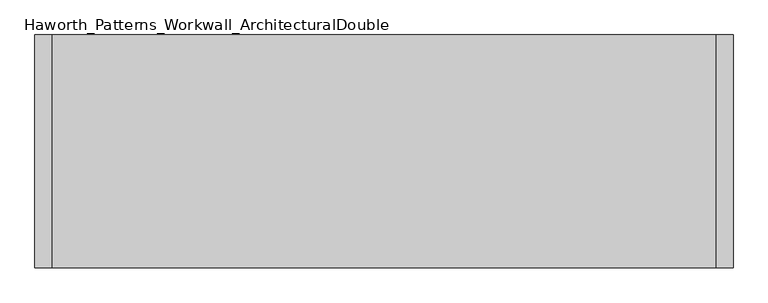
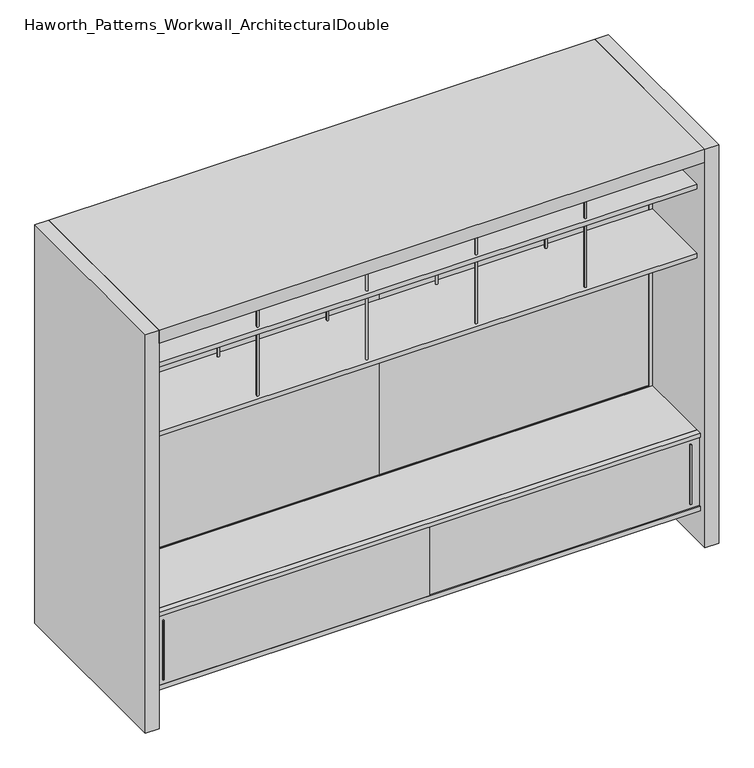
"""IFC4 building model written with IfcOpenShell, lengths in millimetres: furniture geometry, Haworth_Patterns_Workwall_ArchitecturalDouble."""

from ifc_helpers import new_model, si_unit, point, frame, frame_2d, origin, origin_with_axes, place, context, project, spatial, polyline, circle_curve, trimmed, segment, composite_curve, outline, extrude, source, transform, mapped, element, save


def haworth_patterns_workwall_architecturaldouble_7638f100(model_context):
    return source(origin(), model_context, "Body", "SweptSolid", [
        extrude(outline(polyline([(-609.6, 333.375), (-2133.6, 333.375), (-2133.6, 352.425), (-609.6, 352.425), (-609.6, 333.375)])), frame((0.0, 0.0, 635.0), z_axis=(0.0, 0.0, 1.0), x_axis=(1.0, 0.0, 0.0)), (0.0, 0.0, 1.0), 1638.3),
        extrude(outline(polyline([(914.4, 333.375), (-609.6, 333.375), (-609.6, 352.425), (914.4, 352.425), (914.4, 333.375)])), frame((0.0, 0.0, 635.0), z_axis=(0.0, 0.0, 1.0), x_axis=(1.0, 0.0, 0.0)), (0.0, 0.0, 1.0), 1638.3),
        extrude(outline(composite_curve([segment(trimmed(circle_curve(frame_2d((-304.8, -76.2)), 6.35), [point((-311.15, -76.2))], [point((-298.45, -76.2))], False, "CARTESIAN"), True, "CONTINUOUS"), segment(trimmed(circle_curve(frame_2d((-304.8, -76.2)), 6.35), [point((-298.45, -76.2))], [point((-311.15, -76.2))], False, "CARTESIAN"), True, "CONTINUOUS")], self_intersect=False)), frame((0.0, 0.0, 1689.1), z_axis=(0.0, 0.0, 1.0), x_axis=(1.0, 0.0, 0.0)), (0.0, 0.0, 1.0), 381.0),
        extrude(outline(composite_curve([segment(trimmed(circle_curve(frame_2d((-304.8, 304.8)), 6.35), [point((-311.15, 304.8))], [point((-298.45, 304.8))], False, "CARTESIAN"), True, "CONTINUOUS"), segment(trimmed(circle_curve(frame_2d((-304.8, 304.8)), 6.35), [point((-298.45, 304.8))], [point((-311.15, 304.8))], False, "CARTESIAN"), True, "CONTINUOUS")], self_intersect=False)), frame((0.0, 0.0, 1689.1), z_axis=(0.0, 0.0, 1.0), x_axis=(1.0, 0.0, 0.0)), (0.0, 0.0, 1.0), 381.0),
        extrude(outline(composite_curve([segment(trimmed(circle_curve(frame_2d((-914.4, -76.2)), 6.35), [point((-920.75, -76.2))], [point((-908.05, -76.2))], False, "CARTESIAN"), True, "CONTINUOUS"), segment(trimmed(circle_curve(frame_2d((-914.4, -76.2)), 6.35), [point((-908.05, -76.2))], [point((-920.75, -76.2))], False, "CARTESIAN"), True, "CONTINUOUS")], self_intersect=False)), frame((0.0, 0.0, 1689.1), z_axis=(0.0, 0.0, 1.0), x_axis=(1.0, 0.0, 0.0)), (0.0, 0.0, 1.0), 381.0),
        extrude(outline(composite_curve([segment(trimmed(circle_curve(frame_2d((-914.4, 304.8)), 6.35), [point((-920.75, 304.8))], [point((-908.05, 304.8))], False, "CARTESIAN"), True, "CONTINUOUS"), segment(trimmed(circle_curve(frame_2d((-914.4, 304.8)), 6.35), [point((-908.05, 304.8))], [point((-920.75, 304.8))], False, "CARTESIAN"), True, "CONTINUOUS")], self_intersect=False)), frame((0.0, 0.0, 1689.1), z_axis=(0.0, 0.0, 1.0), x_axis=(1.0, 0.0, 0.0)), (0.0, 0.0, 1.0), 381.0),
        extrude(outline(composite_curve([segment(trimmed(circle_curve(frame_2d((304.8, -76.2)), 6.35), [point((298.45, -76.2))], [point((311.15, -76.2))], False, "CARTESIAN"), True, "CONTINUOUS"), segment(trimmed(circle_curve(frame_2d((304.8, -76.2)), 6.35), [point((311.15, -76.2))], [point((298.45, -76.2))], False, "CARTESIAN"), True, "CONTINUOUS")], self_intersect=False)), frame((0.0, 0.0, 1689.1), z_axis=(0.0, 0.0, 1.0), x_axis=(1.0, 0.0, 0.0)), (0.0, 0.0, 1.0), 381.0),
        extrude(outline(composite_curve([segment(trimmed(circle_curve(frame_2d((304.8, 304.8)), 6.35), [point((298.45, 304.8))], [point((311.15, 304.8))], False, "CARTESIAN"), True, "CONTINUOUS"), segment(trimmed(circle_curve(frame_2d((304.8, 304.8)), 6.35), [point((311.15, 304.8))], [point((298.45, 304.8))], False, "CARTESIAN"), True, "CONTINUOUS")], self_intersect=False)), frame((0.0, 0.0, 1689.1), z_axis=(0.0, 0.0, 1.0), x_axis=(1.0, 0.0, 0.0)), (0.0, 0.0, 1.0), 381.0),
        extrude(outline(composite_curve([segment(trimmed(circle_curve(frame_2d((-1524.0, -76.2)), 6.35), [point((-1530.35, -76.2))], [point((-1517.65, -76.2))], False, "CARTESIAN"), True, "CONTINUOUS"), segment(trimmed(circle_curve(frame_2d((-1524.0, -76.2)), 6.35), [point((-1517.65, -76.2))], [point((-1530.35, -76.2))], False, "CARTESIAN"), True, "CONTINUOUS")], self_intersect=False)), frame((0.0, 0.0, 1689.1), z_axis=(0.0, 0.0, 1.0), x_axis=(1.0, 0.0, 0.0)), (0.0, 0.0, 1.0), 381.0),
        extrude(outline(composite_curve([segment(trimmed(circle_curve(frame_2d((-1524.0, 304.8)), 6.35), [point((-1530.35, 304.8))], [point((-1517.65, 304.8))], False, "CARTESIAN"), True, "CONTINUOUS"), segment(trimmed(circle_curve(frame_2d((-1524.0, 304.8)), 6.35), [point((-1517.65, 304.8))], [point((-1530.35, 304.8))], False, "CARTESIAN"), True, "CONTINUOUS")], self_intersect=False)), frame((0.0, 0.0, 1689.1), z_axis=(0.0, 0.0, 1.0), x_axis=(1.0, 0.0, 0.0)), (0.0, 0.0, 1.0), 381.0),
        extrude(outline(polyline([(914.4, 330.2), (914.4, -101.6), (-2133.6, -101.6), (-2133.6, 330.2), (914.4, 330.2)])), frame((0.0, 0.0, 1663.7), z_axis=(0.0, 0.0, 1.0), x_axis=(1.0, 0.0, 0.0)), (0.0, 0.0, 1.0), 25.4),
        extrude(outline(polyline([(866.7750004, -130.1749879), (860.4249996, -130.1749879), (858.8375011, -117.475), (868.3624989, -117.475), (866.7750004, -130.1749879)])), frame((0.0, 0.0, 242.8875), z_axis=(0.0, 0.0, 1.0), x_axis=(1.0, 0.0, 0.0)), (0.0, 0.0, 1.0), 352.425),
        extrude(outline(polyline([(-2079.6249996, -136.5249879), (-2085.9750004, -136.5249879), (-2087.5624989, -123.825), (-2078.0375011, -123.825), (-2079.6249996, -136.5249879)])), frame((0.0, 0.0, 242.8875), z_axis=(0.0, 0.0, 1.0), x_axis=(1.0, 0.0, 0.0)), (0.0, 0.0, 1.0), 352.425),
        extrude(outline(polyline([(914.4, -101.6), (914.4, -133.35), (-2133.6, -133.35), (-2133.6, -101.6), (914.4, -101.6)])), frame((0.0, 0.0, 190.5), z_axis=(0.0, 0.0, 1.0), x_axis=(1.0, 0.0, 0.0)), (0.0, 0.0, 1.0), 25.4),
        extrude(outline(polyline([(914.4, -101.6), (914.4, -133.35), (-2133.6, -133.35), (-2133.6, -101.6), (914.4, -101.6)])), frame((0.0, 0.0, 622.3), z_axis=(0.0, 0.0, 1.0), x_axis=(1.0, 0.0, 0.0)), (0.0, 0.0, 1.0), 25.4),
        extrude(outline(polyline([(-2133.6, -123.825), (-596.9, -123.825), (-596.9, -130.175), (-2133.6, -130.175), (-2133.6, -123.825)])), frame((0.0, 0.0, 215.9), z_axis=(0.0, 0.0, 1.0), x_axis=(1.0, 0.0, 0.0)), (0.0, 0.0, 1.0), 406.4),
        extrude(outline(polyline([(-622.3, -117.475), (914.4, -117.475), (914.4, -123.825), (-622.3, -123.825), (-622.3, -117.475)])), frame((0.0, 0.0, 215.9), z_axis=(0.0, 0.0, 1.0), x_axis=(1.0, 0.0, 0.0)), (0.0, 0.0, 1.0), 406.4),
        extrude(outline(polyline([(-295.275, -101.6), (-314.325, -101.6), (-314.325, 330.2), (-295.275, 330.2), (-295.275, -101.6)])), frame((0.0, 0.0, 215.9), z_axis=(0.0, 0.0, 1.0), x_axis=(1.0, 0.0, 0.0)), (0.0, 0.0, 1.0), 406.4),
        extrude(outline(polyline([(-904.875, -101.6), (-923.925, -101.6), (-923.925, 330.2), (-904.875, 330.2), (-904.875, -101.6)])), frame((0.0, 0.0, 215.9), z_axis=(0.0, 0.0, 1.0), x_axis=(1.0, 0.0, 0.0)), (0.0, 0.0, 1.0), 406.4),
        extrude(outline(polyline([(314.325, -101.6), (295.275, -101.6), (295.275, 330.2), (314.325, 330.2), (314.325, -101.6)])), frame((0.0, 0.0, 215.9), z_axis=(0.0, 0.0, 1.0), x_axis=(1.0, 0.0, 0.0)), (0.0, 0.0, 1.0), 406.4),
        extrude(outline(polyline([(-1514.475, -101.6), (-1533.525, -101.6), (-1533.525, 330.2), (-1514.475, 330.2), (-1514.475, -101.6)])), frame((0.0, 0.0, 215.9), z_axis=(0.0, 0.0, 1.0), x_axis=(1.0, 0.0, 0.0)), (0.0, 0.0, 1.0), 406.4),
        extrude(outline(polyline([(914.4, 330.2), (914.4, -101.6), (-2133.6, -101.6), (-2133.6, 330.2), (914.4, 330.2)])), frame((0.0, 0.0, 622.3), z_axis=(0.0, 0.0, 1.0), x_axis=(1.0, 0.0, 0.0)), (0.0, 0.0, 1.0), 25.4),
        extrude(outline(polyline([(-101.6, 215.9), (330.2, 215.9), (330.2, 190.5), (123.825, 190.5), (123.825, 0.0), (104.775, 0.0), (104.775, 190.5), (-101.6, 190.5), (-101.6, 215.9)])), frame((-2133.6, 0.0, 0.0), z_axis=(1.0, 0.0, 0.0), x_axis=(0.0, 1.0, 0.0)), (0.0, 0.0, 1.0), 3048.0),
        extrude(outline(composite_curve([segment(trimmed(circle_curve(frame_2d((-304.8, -76.2)), 6.35), [point((-311.15, -76.2))], [point((-298.45, -76.2))], False, "CARTESIAN"), True, "CONTINUOUS"), segment(trimmed(circle_curve(frame_2d((-304.8, -76.2)), 6.35), [point((-298.45, -76.2))], [point((-311.15, -76.2))], False, "CARTESIAN"), True, "CONTINUOUS")], self_intersect=False)), frame((0.0, 0.0, 2095.5), z_axis=(0.0, 0.0, 1.0), x_axis=(1.0, 0.0, 0.0)), (0.0, 0.0, 1.0), 177.8),
        extrude(outline(composite_curve([segment(trimmed(circle_curve(frame_2d((-304.8, 304.8)), 6.35), [point((-311.15, 304.8))], [point((-298.45, 304.8))], False, "CARTESIAN"), True, "CONTINUOUS"), segment(trimmed(circle_curve(frame_2d((-304.8, 304.8)), 6.35), [point((-298.45, 304.8))], [point((-311.15, 304.8))], False, "CARTESIAN"), True, "CONTINUOUS")], self_intersect=False)), frame((0.0, 0.0, 2095.5), z_axis=(0.0, 0.0, 1.0), x_axis=(1.0, 0.0, 0.0)), (0.0, 0.0, 1.0), 177.8),
        extrude(outline(composite_curve([segment(trimmed(circle_curve(frame_2d((-914.4, -76.2)), 6.35), [point((-920.75, -76.2))], [point((-908.05, -76.2))], False, "CARTESIAN"), True, "CONTINUOUS"), segment(trimmed(circle_curve(frame_2d((-914.4, -76.2)), 6.35), [point((-908.05, -76.2))], [point((-920.75, -76.2))], False, "CARTESIAN"), True, "CONTINUOUS")], self_intersect=False)), frame((0.0, 0.0, 2095.5), z_axis=(0.0, 0.0, 1.0), x_axis=(1.0, 0.0, 0.0)), (0.0, 0.0, 1.0), 177.8),
        extrude(outline(composite_curve([segment(trimmed(circle_curve(frame_2d((-914.4, 304.8)), 6.35), [point((-920.75, 304.8))], [point((-908.05, 304.8))], False, "CARTESIAN"), True, "CONTINUOUS"), segment(trimmed(circle_curve(frame_2d((-914.4, 304.8)), 6.35), [point((-908.05, 304.8))], [point((-920.75, 304.8))], False, "CARTESIAN"), True, "CONTINUOUS")], self_intersect=False)), frame((0.0, 0.0, 2095.5), z_axis=(0.0, 0.0, 1.0), x_axis=(1.0, 0.0, 0.0)), (0.0, 0.0, 1.0), 177.8),
        extrude(outline(composite_curve([segment(trimmed(circle_curve(frame_2d((304.8, -76.2)), 6.35), [point((298.45, -76.2))], [point((311.15, -76.2))], False, "CARTESIAN"), True, "CONTINUOUS"), segment(trimmed(circle_curve(frame_2d((304.8, -76.2)), 6.35), [point((311.15, -76.2))], [point((298.45, -76.2))], False, "CARTESIAN"), True, "CONTINUOUS")], self_intersect=False)), frame((0.0, 0.0, 2095.5), z_axis=(0.0, 0.0, 1.0), x_axis=(1.0, 0.0, 0.0)), (0.0, 0.0, 1.0), 177.8),
        extrude(outline(composite_curve([segment(trimmed(circle_curve(frame_2d((304.8, 304.8)), 6.35), [point((298.45, 304.8))], [point((311.15, 304.8))], False, "CARTESIAN"), True, "CONTINUOUS"), segment(trimmed(circle_curve(frame_2d((304.8, 304.8)), 6.35), [point((311.15, 304.8))], [point((298.45, 304.8))], False, "CARTESIAN"), True, "CONTINUOUS")], self_intersect=False)), frame((0.0, 0.0, 2095.5), z_axis=(0.0, 0.0, 1.0), x_axis=(1.0, 0.0, 0.0)), (0.0, 0.0, 1.0), 177.8),
        extrude(outline(composite_curve([segment(trimmed(circle_curve(frame_2d((-1524.0, -76.2)), 6.35), [point((-1530.35, -76.2))], [point((-1517.65, -76.2))], False, "CARTESIAN"), True, "CONTINUOUS"), segment(trimmed(circle_curve(frame_2d((-1524.0, -76.2)), 6.35), [point((-1517.65, -76.2))], [point((-1530.35, -76.2))], False, "CARTESIAN"), True, "CONTINUOUS")], self_intersect=False)), frame((0.0, 0.0, 2095.5), z_axis=(0.0, 0.0, 1.0), x_axis=(1.0, 0.0, 0.0)), (0.0, 0.0, 1.0), 177.8),
        extrude(outline(composite_curve([segment(trimmed(circle_curve(frame_2d((-1524.0, 304.8)), 6.35), [point((-1530.35, 304.8))], [point((-1517.65, 304.8))], False, "CARTESIAN"), True, "CONTINUOUS"), segment(trimmed(circle_curve(frame_2d((-1524.0, 304.8)), 6.35), [point((-1517.65, 304.8))], [point((-1530.35, 304.8))], False, "CARTESIAN"), True, "CONTINUOUS")], self_intersect=False)), frame((0.0, 0.0, 2095.5), z_axis=(0.0, 0.0, 1.0), x_axis=(1.0, 0.0, 0.0)), (0.0, 0.0, 1.0), 177.8),
        extrude(outline(polyline([(914.4, 330.2), (914.4, -101.6), (-2133.6, -101.6), (-2133.6, 330.2), (914.4, 330.2)])), frame((0.0, 0.0, 2070.1), z_axis=(0.0, 0.0, 1.0), x_axis=(1.0, 0.0, 0.0)), (0.0, 0.0, 1.0), 25.4),
        extrude(outline(polyline([(-2133.6, 889.0), (-2133.6, -177.8), (-2209.8, -177.8), (-2209.8, 889.0), (-2133.6, 889.0)])), origin_with_axes(), (0.0, 0.0, 1.0), 2349.5),
        extrude(outline(polyline([(990.6, -177.8), (914.4, -177.8), (914.4, 889.0), (990.6, 889.0), (990.6, -177.8)])), origin_with_axes(), (0.0, 0.0, 1.0), 2349.5),
        extrude(outline(polyline([(2273.3, 914.4), (2273.3, -2133.6), (635.0, -2133.6), (635.0, 914.4), (2273.3, 914.4)]), holes=[polyline([(2254.25, 895.35), (654.05, 895.35), (654.05, -2114.55), (2254.25, -2114.55), (2254.25, 895.35)])]), frame((0.0, 330.2, 0.0), z_axis=(0.0, 1.0, 0.0), x_axis=(0.0, 0.0, 1.0)), (0.0, 0.0, 1.0), 25.4),
        extrude(outline(polyline([(895.35, 330.2), (-2114.55, 330.2), (-2114.55, 355.6), (895.35, 355.6), (895.35, 330.2)])), frame((0.0, 0.0, 114.3), z_axis=(0.0, 0.0, 1.0), x_axis=(1.0, 0.0, 0.0)), (0.0, 0.0, 1.0), 495.3),
        extrude(outline(polyline([(635.0, 914.4), (635.0, -2133.6), (0.0, -2133.6), (0.0, 914.4), (635.0, 914.4)]), holes=[polyline([(609.6, 895.35), (114.3, 895.35), (114.3, -2114.55), (609.6, -2114.55), (609.6, 895.35)])]), frame((0.0, 330.2, 0.0), z_axis=(0.0, 1.0, 0.0), x_axis=(0.0, 0.0, 1.0)), (0.0, 0.0, 1.0), 25.4),
        extrude(outline(polyline([(914.4, -177.8), (-2133.6, -177.8), (-2133.6, 889.0), (914.4, 889.0), (914.4, -177.8)])), frame((0.0, 0.0, 2273.3), z_axis=(0.0, 0.0, 1.0), x_axis=(1.0, 0.0, 0.0)), (0.0, 0.0, 1.0), 76.2),
    ])


if __name__ == "__main__":
    model = new_model("IFC4")
    model_context = context("Model", 3, world=origin())
    ifc_project = project(units=[si_unit("LENGTHUNIT", "METRE", prefix="MILLI")], contexts=[model_context])
    site = spatial("IfcSite", under=ifc_project)
    building = spatial("IfcBuilding", under=site)
    placement = place(None, origin())
    haworth_patterns_workwall_architecturaldouble_shape = haworth_patterns_workwall_architecturaldouble_7638f100(model_context)
    element("IfcFurniture", 1, ObjectType="Haworth_Patterns_Workwall_ArchitecturalDouble", at=placement, inside=building, context=model_context, shape_type="MappedRepresentation", body=[
        mapped(haworth_patterns_workwall_architecturaldouble_shape, transform((0.0, 0.0, 0.0), x_axis=(1.0, 0.0, 0.0), y_axis=(0.0, 1.0, 0.0), z_axis=(0.0, 0.0, 1.0))),
    ])
    save(model, "model.ifc")
